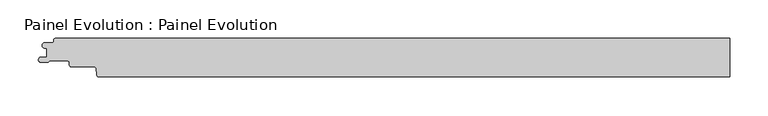
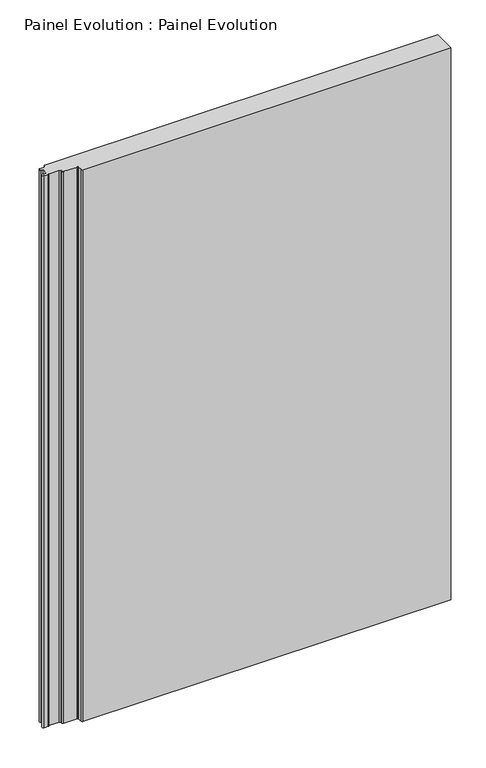
"""IFC4 building model written with IfcOpenShell, lengths in millimetres: proxy geometry, Painel Evolution : Painel Evolution."""

from ifc_helpers import new_model, si_unit, point, frame_2d, origin, origin_with_axes, place, context, project, spatial, polyline, circle_curve, trimmed, segment, composite_curve, outline, extrude, source, transform, mapped, element, save


def painel_evolution_painel_evolution_2848617d(model_context):
    return source(origin(), model_context, "Body", "SweptSolid", [
        extrude(outline(composite_curve([segment(polyline([(-516.0390625, 25.0), (359.9999997, 25.0), (359.9999997, -25.0), (-459.4023864, -25.0)]), True, "CONTINUOUS"), segment(trimmed(circle_curve(frame_2d((-459.3507103, -22.1106339)), 2.8898282), [point((-459.4023864, -25.0))], [point((-462.2295384, -22.3625382))], False, "CARTESIAN"), True, "CONTINUOUS"), segment(polyline([(-462.2295384, -22.3625382), (-462.9760411, -13.8313116)]), True, "CONTINUOUS"), segment(trimmed(circle_curve(frame_2d((-464.9959051, -14.0080546)), 2.027582), [point((-462.9760411, -13.8313116))], [point((-463.3872648, -12.7738078))], True, "CARTESIAN"), True, "CONTINUOUS"), segment(trimmed(circle_curve(frame_2d((-464.9740222, -13.9912647)), 2.0), [point((-463.3872648, -12.7738078))], [point((-464.9818684, -11.99128))], True, "CARTESIAN"), True, "CONTINUOUS"), segment(polyline([(-464.9818684, -11.99128), (-494.9687938, -11.99128)]), True, "CONTINUOUS"), segment(trimmed(circle_curve(frame_2d((-494.9687938, -9.19128)), 2.8), [point((-494.9687938, -11.99128))], [point((-497.7687939, -9.19128))], False, "CARTESIAN"), True, "CONTINUOUS"), segment(polyline([(-497.7687939, -9.19128), (-497.7687939, -6.9007195)]), True, "CONTINUOUS"), segment(trimmed(circle_curve(frame_2d((-500.7687939, -6.9007195)), 3.0), [point((-497.7687939, -6.9007195))], [point((-500.7687939, -3.9007195))], True, "CARTESIAN"), True, "CONTINUOUS"), segment(polyline([(-500.7687939, -3.9007195), (-522.8062687, -3.9007195)]), True, "CONTINUOUS"), segment(trimmed(circle_curve(frame_2d((-522.8062687, -5.5007195)), 1.6), [point((-522.8062687, -3.9007195))], [point((-524.0123453, -4.4493494))], True, "CARTESIAN"), True, "CONTINUOUS"), segment(trimmed(circle_curve(frame_2d((-526.7593331, -2.7294942)), 3.2409634), [point((-524.0123453, -4.4493494))], [point((-525.2140128, -5.5783236))], False, "CARTESIAN"), True, "CONTINUOUS"), segment(trimmed(circle_curve(frame_2d((-526.3266399, -3.4518098)), 2.4), [point((-525.2140128, -5.5783236))], [point((-526.4215824, -5.8499312))], False, "CARTESIAN"), True, "CONTINUOUS"), segment(polyline([(-526.4215824, -5.8499312), (-534.7667193, -5.8499312)]), True, "CONTINUOUS"), segment(trimmed(circle_curve(frame_2d((-534.7667193, -2.5812398)), 3.2686913), [point((-534.7667193, -5.8499312))], [point((-534.9577702, 0.6818634))], False, "CARTESIAN"), True, "CONTINUOUS"), segment(polyline([(-534.9577702, 0.6818634), (-527.1155186, 0.6818634), (-527.1155186, 12.4922678), (-530.6488863, 12.4922678)]), True, "CONTINUOUS"), segment(trimmed(circle_curve(frame_2d((-529.8390625, 16.0)), 3.6), [point((-530.6488863, 12.4922678))], [point((-529.8390625, 19.6))], False, "CARTESIAN"), True, "CONTINUOUS"), segment(polyline([(-529.8390625, 19.6), (-520.0390625, 19.6)]), True, "CONTINUOUS"), segment(trimmed(circle_curve(frame_2d((-520.0390625, 21.6)), 2.0), [point((-520.0390625, 19.6))], [point((-518.0390625, 21.6))], True, "CARTESIAN"), True, "CONTINUOUS"), segment(polyline([(-518.0390625, 21.6), (-518.0390625, 23.0)]), True, "CONTINUOUS"), segment(trimmed(circle_curve(frame_2d((-516.0390625, 23.0)), 2.0), [point((-518.0390625, 23.0))], [point((-516.0390625, 25.0))], False, "CARTESIAN"), True, "CONTINUOUS")], self_intersect=False)), origin_with_axes(), (0.0, 0.0, 1.0), 1300.0),
    ])


if __name__ == "__main__":
    model = new_model("IFC4")
    model_context = context("Model", 3, world=origin())
    ifc_project = project(units=[si_unit("LENGTHUNIT", "METRE", prefix="MILLI")], contexts=[model_context])
    site = spatial("IfcSite", under=ifc_project)
    building = spatial("IfcBuilding", under=site)
    placement = place(None, origin())
    painel_evolution_painel_evolution_shape = painel_evolution_painel_evolution_2848617d(model_context)
    element("IfcBuildingElementProxy", 1, Name="Painel Evolution : Painel Evolution", ObjectType="Painel Evolution : Painel Evolution", at=placement, inside=building, context=model_context, shape_type="MappedRepresentation", body=[
        mapped(painel_evolution_painel_evolution_shape, transform((0.0, 0.0, 0.0), x_axis=(1.0, 0.0, 0.0), y_axis=(0.0, 1.0, 0.0), z_axis=(0.0, 0.0, 1.0))),
    ])
    save(model, "model.ifc")
